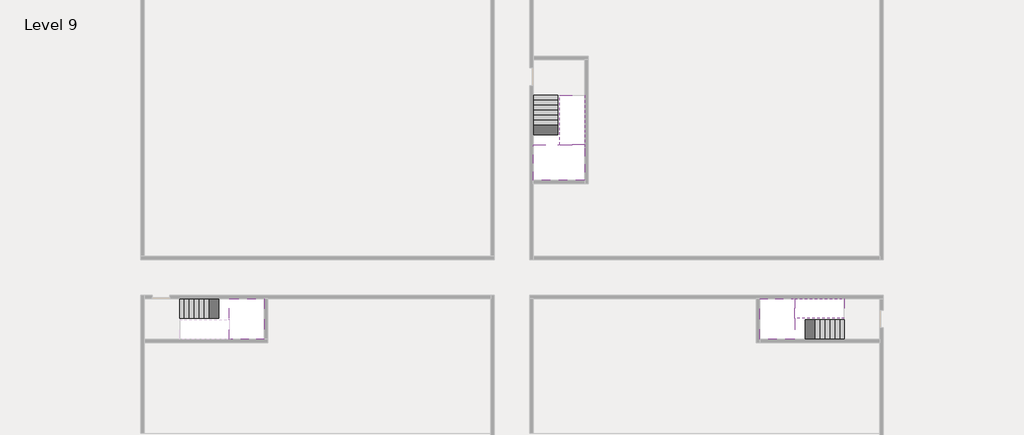
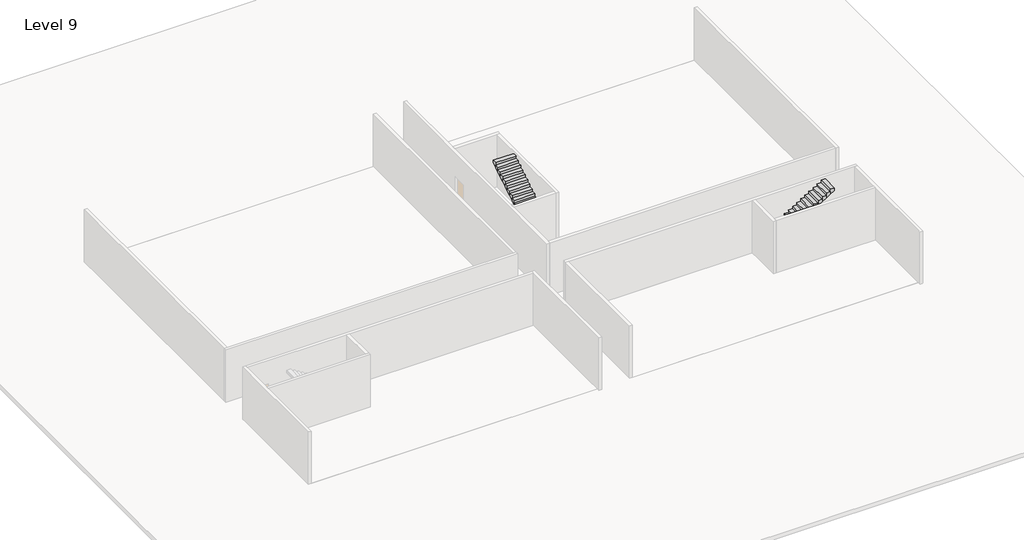
# One storey, part 2 of 2: 5 stair flights, 3 slabs.
"""IFC4 building model written with IfcOpenShell, lengths in millimetres."""

from ifc_helpers import new_model, si_unit, origin, place, context, project, spatial, faceted_brep, element, save

model = new_model("IFC4")

# Units and contexts
model_context = context("Model", 3, world=origin())
ifc_project = project(units=[si_unit("LENGTHUNIT", "METRE", prefix="MILLI")], contexts=[model_context])

# Site, building, storey
site = spatial("IfcSite", under=ifc_project)
building = spatial("IfcBuilding", under=site)
storey = spatial("IfcBuildingStorey", under=building, Name="Level 9", Elevation=30400.0)

# Slabs
placement = place(None, origin())
element("IfcSlab", 1, at=placement, inside=storey, context=model_context, shape_type="Brep", body=[
    faceted_brep([(8190.1058784, -42918.09644, 32300.0), (8190.1058784, -44018.09644, 32300.0), (8190.1058784, -44118.09644, 32300.0), (8190.1058784, -45218.09644, 32300.0), (8390.7194421, -45218.09644, 32300.0), (10190.1058784, -45218.09644, 32300.0), (10190.1058784, -42918.09644, 32300.0), (8269.4923146, -42918.09644, 32300.0), (8190.1058784, -42918.09644, 32127.2727273), (8190.1058784, -42918.09644, 31951.0278478), (8190.1058784, -44018.09644, 31951.0278478), (8190.1058784, -44018.09644, 32000.0), (8190.1058784, -44118.09644, 32000.0), (8190.1058784, -44118.09644, 32123.7551205), (8190.1058784, -45218.09644, 32123.7551205), (8390.7194421, -45218.09644, 32000.0), (10190.1058784, -45218.09644, 32000.0), (10190.1058784, -42918.09644, 32000.0), (8269.4923146, -42918.09644, 32000.0), (8390.7194421, -44118.09644, 32000.0), (8269.4923146, -44018.09644, 32000.0)], [[[0, 1, 2, 3, 4, 5, 6, 7]], [[1, 0, 8, 9, 10, 11]], [[2, 1, 11, 12, 13]], [[3, 2, 13, 14]], [[3, 14, 15, 16, 5, 4]], [[6, 5, 16, 17]], [[9, 8, 0, 7, 6, 17, 18]], [[19, 12, 11, 20, 18, 17, 16, 15]], [[12, 19, 13]], [[18, 20, 10, 9]], [[20, 11, 10]], [[19, 15, 14, 13]]]),
])
element("IfcSlab", 2, at=placement, inside=storey, context=model_context, shape_type="Brep", body=[
    faceted_brep([(40190.1058784, -45218.09644, 32300.0), (40190.1058784, -44118.09644, 32300.0), (40190.1058784, -44018.09644, 32300.0), (40190.1058784, -42918.09644, 32300.0), (39989.4923146, -42918.09644, 32300.0), (38190.1058784, -42918.09644, 32300.0), (38190.1058784, -45218.09644, 32300.0), (40110.7194421, -45218.09644, 32300.0), (40190.1058784, -45218.09644, 32127.2727273), (40190.1058784, -45218.09644, 31951.0278478), (40190.1058784, -44118.09644, 31951.0278478), (40190.1058784, -44118.09644, 32000.0), (40190.1058784, -44018.09644, 32000.0), (40190.1058784, -44018.09644, 32123.7551205), (40190.1058784, -42918.09644, 32123.7551205), (39989.4923146, -42918.09644, 32000.0), (38190.1058784, -42918.09644, 32000.0), (38190.1058784, -45218.09644, 32000.0), (40110.7194421, -45218.09644, 32000.0), (39989.4923146, -44018.09644, 32000.0), (40110.7194421, -44118.09644, 32000.0)], [[[0, 1, 2, 3, 4, 5, 6, 7]], [[1, 0, 8, 9, 10, 11]], [[2, 1, 11, 12, 13]], [[3, 2, 13, 14]], [[3, 14, 15, 16, 5, 4]], [[6, 5, 16, 17]], [[9, 8, 0, 7, 6, 17, 18]], [[19, 12, 11, 20, 18, 17, 16, 15]], [[12, 19, 13]], [[18, 20, 10, 9]], [[20, 11, 10]], [[19, 15, 14, 13]]]),
])
element("IfcSlab", 3, at=placement, inside=storey, context=model_context, shape_type="Brep", body=[
    faceted_brep([(26790.1058784, -34218.09644, 32300.0), (25390.1058784, -34218.09644, 32300.0), (25390.1058784, -34297.4828763, 32300.0), (25390.1058784, -36218.09644, 32300.0), (28290.1058784, -36218.09644, 32300.0), (28290.1058784, -34418.7100038, 32300.0), (28290.1058784, -34218.09644, 32300.0), (26890.1058784, -34218.09644, 32300.0), (26790.1058784, -34218.09644, 32000.0), (26790.1058784, -34218.09644, 31951.0278478), (25390.1058784, -34218.09644, 31951.0278478), (25390.1058784, -34218.09644, 32127.2727273), (25390.1058784, -34297.4828763, 32000.0), (25390.1058784, -36218.09644, 32000.0), (28290.1058784, -36218.09644, 32000.0), (28290.1058784, -34418.7100038, 32000.0), (28290.1058784, -34218.09644, 32123.7551205), (26890.1058784, -34218.09644, 32123.7551205), (26890.1058784, -34218.09644, 32000.0), (26890.1058784, -34418.7100038, 32000.0), (26790.1058784, -34297.4828763, 32000.0)], [[[0, 1, 2, 3, 4, 5, 6, 7]], [[1, 0, 8, 9, 10, 11]], [[1, 11, 10, 12, 13, 3, 2]], [[4, 3, 13, 14]], [[4, 14, 15, 16, 6, 5]], [[7, 6, 16, 17]], [[0, 7, 17, 18, 8]], [[18, 19, 15, 14, 13, 12, 20, 8]], [[19, 18, 17]], [[20, 12, 10, 9]], [[8, 20, 9]], [[15, 19, 17, 16]]]),
])

# Stair flights
element("IfcStairFlight", 4, at=placement, inside=storey, context=model_context, shape_type="Brep", body=[
    faceted_brep([(5670.1058784, -42918.09644, 30572.7272727), (5390.1058784, -42918.09644, 30572.7272727), (5390.1058784, -44018.09644, 30572.7272727), (5670.1058784, -44018.09644, 30572.7272727), (5670.1058784, -42918.09644, 30400.0), (5390.1058784, -42918.09644, 30400.0), (5390.1058784, -44018.09644, 30400.0), (5670.1058784, -44018.09644, 30400.0), (5950.1058784, -42918.09644, 30745.4545455), (5670.1058784, -42918.09644, 30745.4545455), (5670.1058784, -44018.09644, 30745.4545455), (5950.1058784, -44018.09644, 30745.4545455), (5950.1058784, -42918.09644, 30569.209666), (5675.8081041, -42918.09644, 30400.0), (5675.8081041, -44018.09644, 30400.0), (5950.1058784, -44018.09644, 30569.209666), (6230.1058784, -42918.09644, 30918.1818182), (5950.1058784, -42918.09644, 30918.1818182), (5950.1058784, -44018.09644, 30918.1818182), (6230.1058784, -44018.09644, 30918.1818182), (6230.1058784, -42918.09644, 30741.9369387), (6230.1058784, -44018.09644, 30741.9369387), (6510.1058784, -42918.09644, 31090.9090909), (6230.1058784, -42918.09644, 31090.9090909), (6230.1058784, -44018.09644, 31090.9090909), (6510.1058784, -44018.09644, 31090.9090909), (6510.1058784, -42918.09644, 30914.6642114), (6510.1058784, -44018.09644, 30914.6642114), (6790.1058784, -42918.09644, 31263.6363636), (6510.1058784, -42918.09644, 31263.6363636), (6510.1058784, -44018.09644, 31263.6363636), (6790.1058784, -44018.09644, 31263.6363636), (6790.1058784, -42918.09644, 31087.3914841), (6790.1058784, -44018.09644, 31087.3914841), (7070.1058784, -42918.09644, 31436.3636364), (6790.1058784, -42918.09644, 31436.3636364), (6790.1058784, -44018.09644, 31436.3636364), (7070.1058784, -44018.09644, 31436.3636364), (7070.1058784, -42918.09644, 31260.1187569), (7070.1058784, -44018.09644, 31260.1187569), (7350.1058784, -42918.09644, 31609.0909091), (7070.1058784, -42918.09644, 31609.0909091), (7070.1058784, -44018.09644, 31609.0909091), (7350.1058784, -44018.09644, 31609.0909091), (7350.1058784, -42918.09644, 31432.8460296), (7350.1058784, -44018.09644, 31432.8460296), (7630.1058784, -42918.09644, 31781.8181818), (7350.1058784, -42918.09644, 31781.8181818), (7350.1058784, -44018.09644, 31781.8181818), (7630.1058784, -44018.09644, 31781.8181818), (7630.1058784, -42918.09644, 31605.5733023), (7630.1058784, -44018.09644, 31605.5733023), (7910.1058784, -42918.09644, 31954.5454545), (7630.1058784, -42918.09644, 31954.5454545), (7630.1058784, -44018.09644, 31954.5454545), (7910.1058784, -44018.09644, 31954.5454545), (7910.1058784, -42918.09644, 31778.3005751), (7910.1058784, -44018.09644, 31778.3005751), (8190.1058784, -42918.09644, 32127.2727273), (7910.1058784, -42918.09644, 32127.2727273), (7910.1058784, -44018.09644, 32127.2727273), (8190.1058784, -44018.09644, 32127.2727273), (8190.1058784, -42918.09644, 31951.0278478), (8190.1058784, -44018.09644, 31951.0278478), (8190.1058784, -44018.09644, 32000.0)], [[[0, 1, 2, 3]], [[1, 0, 4, 5]], [[2, 1, 5, 6]], [[3, 2, 6, 7]], [[8, 9, 10, 11]], [[4, 0, 9, 8, 12, 13]], [[0, 3, 10, 9]], [[3, 7, 14, 15, 11, 10]], [[16, 17, 18, 19]], [[17, 16, 20, 12, 8]], [[8, 11, 18, 17]], [[19, 18, 11, 15, 21]], [[22, 23, 24, 25]], [[23, 22, 26, 20, 16]], [[16, 19, 24, 23]], [[25, 24, 19, 21, 27]], [[28, 29, 30, 31]], [[29, 28, 32, 26, 22]], [[22, 25, 30, 29]], [[31, 30, 25, 27, 33]], [[34, 35, 36, 37]], [[35, 34, 38, 32, 28]], [[28, 31, 36, 35]], [[37, 36, 31, 33, 39]], [[40, 41, 42, 43]], [[41, 40, 44, 38, 34]], [[34, 37, 42, 41]], [[43, 42, 37, 39, 45]], [[46, 47, 48, 49]], [[47, 46, 50, 44, 40]], [[40, 43, 48, 47]], [[49, 48, 43, 45, 51]], [[52, 53, 54, 55]], [[53, 52, 56, 50, 46]], [[46, 49, 54, 53]], [[55, 54, 49, 51, 57]], [[58, 59, 60, 61]], [[59, 58, 62, 56, 52]], [[52, 55, 60, 59]], [[61, 60, 55, 57, 63, 64]], [[58, 61, 64, 63, 62]], [[5, 4, 13, 14, 7, 6]], [[14, 13, 12, 20, 26, 32, 38, 44, 50, 56, 62, 63, 57, 51, 45, 39, 33, 27, 21, 15]]]),
])
element("IfcStairFlight", 5, at=placement, inside=storey, context=model_context, shape_type="Brep", body=[
    faceted_brep([(42710.1058784, -45218.09644, 30572.7272727), (42990.1058784, -45218.09644, 30572.7272727), (42990.1058784, -44118.09644, 30572.7272727), (42710.1058784, -44118.09644, 30572.7272727), (42710.1058784, -45218.09644, 30400.0), (42990.1058784, -45218.09644, 30400.0), (42990.1058784, -44118.09644, 30400.0), (42710.1058784, -44118.09644, 30400.0), (42430.1058784, -45218.09644, 30745.4545455), (42710.1058784, -45218.09644, 30745.4545455), (42710.1058784, -44118.09644, 30745.4545455), (42430.1058784, -44118.09644, 30745.4545455), (42430.1058784, -45218.09644, 30569.209666), (42704.4036527, -45218.09644, 30400.0), (42704.4036527, -44118.09644, 30400.0), (42430.1058784, -44118.09644, 30569.209666), (42150.1058784, -45218.09644, 30918.1818182), (42430.1058784, -45218.09644, 30918.1818182), (42430.1058784, -44118.09644, 30918.1818182), (42150.1058784, -44118.09644, 30918.1818182), (42150.1058784, -45218.09644, 30741.9369387), (42150.1058784, -44118.09644, 30741.9369387), (41870.1058784, -45218.09644, 31090.9090909), (42150.1058784, -45218.09644, 31090.9090909), (42150.1058784, -44118.09644, 31090.9090909), (41870.1058784, -44118.09644, 31090.9090909), (41870.1058784, -45218.09644, 30914.6642114), (41870.1058784, -44118.09644, 30914.6642114), (41590.1058784, -45218.09644, 31263.6363636), (41870.1058784, -45218.09644, 31263.6363636), (41870.1058784, -44118.09644, 31263.6363636), (41590.1058784, -44118.09644, 31263.6363636), (41590.1058784, -45218.09644, 31087.3914841), (41590.1058784, -44118.09644, 31087.3914841), (41310.1058784, -45218.09644, 31436.3636364), (41590.1058784, -45218.09644, 31436.3636364), (41590.1058784, -44118.09644, 31436.3636364), (41310.1058784, -44118.09644, 31436.3636364), (41310.1058784, -45218.09644, 31260.1187569), (41310.1058784, -44118.09644, 31260.1187569), (41030.1058784, -45218.09644, 31609.0909091), (41310.1058784, -45218.09644, 31609.0909091), (41310.1058784, -44118.09644, 31609.0909091), (41030.1058784, -44118.09644, 31609.0909091), (41030.1058784, -45218.09644, 31432.8460296), (41030.1058784, -44118.09644, 31432.8460296), (40750.1058784, -45218.09644, 31781.8181818), (41030.1058784, -45218.09644, 31781.8181818), (41030.1058784, -44118.09644, 31781.8181818), (40750.1058784, -44118.09644, 31781.8181818), (40750.1058784, -45218.09644, 31605.5733023), (40750.1058784, -44118.09644, 31605.5733023), (40470.1058784, -45218.09644, 31954.5454545), (40750.1058784, -45218.09644, 31954.5454545), (40750.1058784, -44118.09644, 31954.5454545), (40470.1058784, -44118.09644, 31954.5454545), (40470.1058784, -45218.09644, 31778.3005751), (40470.1058784, -44118.09644, 31778.3005751), (40190.1058784, -45218.09644, 32127.2727273), (40470.1058784, -45218.09644, 32127.2727273), (40470.1058784, -44118.09644, 32127.2727273), (40190.1058784, -44118.09644, 32127.2727273), (40190.1058784, -45218.09644, 31951.0278478), (40190.1058784, -44118.09644, 31951.0278478), (40190.1058784, -44118.09644, 32000.0)], [[[0, 1, 2, 3]], [[1, 0, 4, 5]], [[2, 1, 5, 6]], [[3, 2, 6, 7]], [[8, 9, 10, 11]], [[4, 0, 9, 8, 12, 13]], [[0, 3, 10, 9]], [[3, 7, 14, 15, 11, 10]], [[16, 17, 18, 19]], [[17, 16, 20, 12, 8]], [[8, 11, 18, 17]], [[19, 18, 11, 15, 21]], [[22, 23, 24, 25]], [[23, 22, 26, 20, 16]], [[16, 19, 24, 23]], [[25, 24, 19, 21, 27]], [[28, 29, 30, 31]], [[29, 28, 32, 26, 22]], [[22, 25, 30, 29]], [[31, 30, 25, 27, 33]], [[34, 35, 36, 37]], [[35, 34, 38, 32, 28]], [[28, 31, 36, 35]], [[37, 36, 31, 33, 39]], [[40, 41, 42, 43]], [[41, 40, 44, 38, 34]], [[34, 37, 42, 41]], [[43, 42, 37, 39, 45]], [[46, 47, 48, 49]], [[47, 46, 50, 44, 40]], [[40, 43, 48, 47]], [[49, 48, 43, 45, 51]], [[52, 53, 54, 55]], [[53, 52, 56, 50, 46]], [[46, 49, 54, 53]], [[55, 54, 49, 51, 57]], [[58, 59, 60, 61]], [[59, 58, 62, 56, 52]], [[52, 55, 60, 59]], [[61, 60, 55, 57, 63, 64]], [[58, 61, 64, 63, 62]], [[5, 4, 13, 14, 7, 6]], [[14, 13, 12, 20, 26, 32, 38, 44, 50, 56, 62, 63, 57, 51, 45, 39, 33, 27, 21, 15]]]),
])
element("IfcStairFlight", 6, at=placement, inside=storey, context=model_context, shape_type="Brep", body=[
    faceted_brep([(40470.1058784, -42918.09644, 32472.7272727), (40190.1058784, -42918.09644, 32472.7272727), (40190.1058784, -44018.09644, 32472.7272727), (40470.1058784, -44018.09644, 32472.7272727), (40470.1058784, -42918.09644, 32296.4823932), (40190.1058784, -42918.09644, 32123.7551205), (40190.1058784, -42918.09644, 32300.0), (40190.1058784, -44018.09644, 32123.7551205), (40470.1058784, -44018.09644, 32296.4823932), (40750.1058784, -42918.09644, 32645.4545455), (40470.1058784, -42918.09644, 32645.4545455), (40470.1058784, -44018.09644, 32645.4545455), (40750.1058784, -44018.09644, 32645.4545455), (40750.1058784, -42918.09644, 32469.209666), (40750.1058784, -44018.09644, 32469.209666), (41030.1058784, -42918.09644, 32818.1818182), (40750.1058784, -42918.09644, 32818.1818182), (40750.1058784, -44018.09644, 32818.1818182), (41030.1058784, -44018.09644, 32818.1818182), (41030.1058784, -42918.09644, 32641.9369387), (41030.1058784, -44018.09644, 32641.9369387), (41310.1058784, -42918.09644, 32990.9090909), (41030.1058784, -42918.09644, 32990.9090909), (41030.1058784, -44018.09644, 32990.9090909), (41310.1058784, -44018.09644, 32990.9090909), (41310.1058784, -42918.09644, 32814.6642114), (41310.1058784, -44018.09644, 32814.6642114), (41590.1058784, -42918.09644, 33163.6363636), (41310.1058784, -42918.09644, 33163.6363636), (41310.1058784, -44018.09644, 33163.6363636), (41590.1058784, -44018.09644, 33163.6363636), (41590.1058784, -42918.09644, 32987.3914841), (41590.1058784, -44018.09644, 32987.3914841), (41870.1058784, -42918.09644, 33336.3636364), (41590.1058784, -42918.09644, 33336.3636364), (41590.1058784, -44018.09644, 33336.3636364), (41870.1058784, -44018.09644, 33336.3636364), (41870.1058784, -42918.09644, 33160.1187569), (41870.1058784, -44018.09644, 33160.1187569), (42150.1058784, -42918.09644, 33509.0909091), (41870.1058784, -42918.09644, 33509.0909091), (41870.1058784, -44018.09644, 33509.0909091), (42150.1058784, -44018.09644, 33509.0909091), (42150.1058784, -42918.09644, 33332.8460296), (42150.1058784, -44018.09644, 33332.8460296), (42430.1058784, -42918.09644, 33681.8181818), (42150.1058784, -42918.09644, 33681.8181818), (42150.1058784, -44018.09644, 33681.8181818), (42430.1058784, -44018.09644, 33681.8181818), (42430.1058784, -42918.09644, 33505.5733023), (42430.1058784, -44018.09644, 33505.5733023), (42710.1058784, -42918.09644, 33854.5454545), (42430.1058784, -42918.09644, 33854.5454545), (42430.1058784, -44018.09644, 33854.5454545), (42710.1058784, -44018.09644, 33854.5454545), (42710.1058784, -42918.09644, 33678.3005751), (42710.1058784, -44018.09644, 33678.3005751), (42990.1058784, -42918.09644, 34027.2727273), (42710.1058784, -42918.09644, 34027.2727273), (42710.1058784, -44018.09644, 34027.2727273), (42990.1058784, -44018.09644, 34027.2727273), (42990.1058784, -42918.09644, 33851.0278478), (42990.1058784, -44018.09644, 33851.0278478)], [[[0, 1, 2, 3]], [[1, 0, 4, 5, 6]], [[2, 1, 6, 5, 7]], [[3, 2, 7, 8]], [[9, 10, 11, 12]], [[10, 9, 13, 4, 0]], [[11, 10, 0, 3]], [[12, 11, 3, 8, 14]], [[15, 16, 17, 18]], [[16, 15, 19, 13, 9]], [[17, 16, 9, 12]], [[18, 17, 12, 14, 20]], [[21, 22, 23, 24]], [[22, 21, 25, 19, 15]], [[23, 22, 15, 18]], [[24, 23, 18, 20, 26]], [[27, 28, 29, 30]], [[28, 27, 31, 25, 21]], [[29, 28, 21, 24]], [[30, 29, 24, 26, 32]], [[33, 34, 35, 36]], [[34, 33, 37, 31, 27]], [[35, 34, 27, 30]], [[36, 35, 30, 32, 38]], [[39, 40, 41, 42]], [[40, 39, 43, 37, 33]], [[41, 40, 33, 36]], [[42, 41, 36, 38, 44]], [[45, 46, 47, 48]], [[46, 45, 49, 43, 39]], [[47, 46, 39, 42]], [[48, 47, 42, 44, 50]], [[51, 52, 53, 54]], [[52, 51, 55, 49, 45]], [[53, 52, 45, 48]], [[54, 53, 48, 50, 56]], [[57, 58, 59, 60]], [[58, 57, 61, 55, 51]], [[59, 58, 51, 54]], [[60, 59, 54, 56, 62]], [[57, 60, 62, 61]], [[5, 4, 13, 19, 25, 31, 37, 43, 49, 55, 61, 62, 56, 50, 44, 38, 32, 26, 20, 14, 8, 7]]]),
])
element("IfcStairFlight", 7, at=placement, inside=storey, context=model_context, shape_type="Brep", body=[
    faceted_brep([(26790.1058784, -31698.09644, 30572.7272727), (26790.1058784, -31418.09644, 30572.7272727), (25390.1058784, -31418.09644, 30572.7272727), (25390.1058784, -31698.09644, 30572.7272727), (26790.1058784, -31698.09644, 30400.0), (26790.1058784, -31418.09644, 30400.0), (25390.1058784, -31418.09644, 30400.0), (25390.1058784, -31698.09644, 30400.0), (26790.1058784, -31978.09644, 30745.4545455), (26790.1058784, -31698.09644, 30745.4545455), (25390.1058784, -31698.09644, 30745.4545455), (25390.1058784, -31978.09644, 30745.4545455), (26790.1058784, -31978.09644, 30569.209666), (26790.1058784, -31703.7986657, 30400.0), (25390.1058784, -31703.7986657, 30400.0), (25390.1058784, -31978.09644, 30569.209666), (26790.1058784, -32258.09644, 30918.1818182), (26790.1058784, -31978.09644, 30918.1818182), (25390.1058784, -31978.09644, 30918.1818182), (25390.1058784, -32258.09644, 30918.1818182), (26790.1058784, -32258.09644, 30741.9369387), (25390.1058784, -32258.09644, 30741.9369387), (26790.1058784, -32538.09644, 31090.9090909), (26790.1058784, -32258.09644, 31090.9090909), (25390.1058784, -32258.09644, 31090.9090909), (25390.1058784, -32538.09644, 31090.9090909), (26790.1058784, -32538.09644, 30914.6642114), (25390.1058784, -32538.09644, 30914.6642114), (26790.1058784, -32818.09644, 31263.6363636), (26790.1058784, -32538.09644, 31263.6363636), (25390.1058784, -32538.09644, 31263.6363636), (25390.1058784, -32818.09644, 31263.6363636), (26790.1058784, -32818.09644, 31087.3914841), (25390.1058784, -32818.09644, 31087.3914841), (26790.1058784, -33098.09644, 31436.3636364), (26790.1058784, -32818.09644, 31436.3636364), (25390.1058784, -32818.09644, 31436.3636364), (25390.1058784, -33098.09644, 31436.3636364), (26790.1058784, -33098.09644, 31260.1187569), (25390.1058784, -33098.09644, 31260.1187569), (26790.1058784, -33378.09644, 31609.0909091), (26790.1058784, -33098.09644, 31609.0909091), (25390.1058784, -33098.09644, 31609.0909091), (25390.1058784, -33378.09644, 31609.0909091), (26790.1058784, -33378.09644, 31432.8460296), (25390.1058784, -33378.09644, 31432.8460296), (26790.1058784, -33658.09644, 31781.8181818), (26790.1058784, -33378.09644, 31781.8181818), (25390.1058784, -33378.09644, 31781.8181818), (25390.1058784, -33658.09644, 31781.8181818), (26790.1058784, -33658.09644, 31605.5733023), (25390.1058784, -33658.09644, 31605.5733023), (26790.1058784, -33938.09644, 31954.5454545), (26790.1058784, -33658.09644, 31954.5454545), (25390.1058784, -33658.09644, 31954.5454545), (25390.1058784, -33938.09644, 31954.5454545), (26790.1058784, -33938.09644, 31778.3005751), (25390.1058784, -33938.09644, 31778.3005751), (26790.1058784, -34218.09644, 32127.2727273), (26790.1058784, -33938.09644, 32127.2727273), (25390.1058784, -33938.09644, 32127.2727273), (25390.1058784, -34218.09644, 32127.2727273), (26790.1058784, -34218.09644, 32000.0), (26790.1058784, -34218.09644, 31951.0278478), (25390.1058784, -34218.09644, 31951.0278478)], [[[0, 1, 2, 3]], [[1, 0, 4, 5]], [[2, 1, 5, 6]], [[3, 2, 6, 7]], [[8, 9, 10, 11]], [[4, 0, 9, 8, 12, 13]], [[0, 3, 10, 9]], [[3, 7, 14, 15, 11, 10]], [[16, 17, 18, 19]], [[17, 16, 20, 12, 8]], [[8, 11, 18, 17]], [[19, 18, 11, 15, 21]], [[22, 23, 24, 25]], [[23, 22, 26, 20, 16]], [[16, 19, 24, 23]], [[25, 24, 19, 21, 27]], [[28, 29, 30, 31]], [[29, 28, 32, 26, 22]], [[22, 25, 30, 29]], [[31, 30, 25, 27, 33]], [[34, 35, 36, 37]], [[35, 34, 38, 32, 28]], [[28, 31, 36, 35]], [[37, 36, 31, 33, 39]], [[40, 41, 42, 43]], [[41, 40, 44, 38, 34]], [[34, 37, 42, 41]], [[43, 42, 37, 39, 45]], [[46, 47, 48, 49]], [[47, 46, 50, 44, 40]], [[40, 43, 48, 47]], [[49, 48, 43, 45, 51]], [[52, 53, 54, 55]], [[53, 52, 56, 50, 46]], [[46, 49, 54, 53]], [[55, 54, 49, 51, 57]], [[58, 59, 60, 61]], [[59, 58, 62, 63, 56, 52]], [[52, 55, 60, 59]], [[61, 60, 55, 57, 64]], [[58, 61, 64, 63, 62]], [[5, 4, 13, 14, 7, 6]], [[14, 13, 12, 20, 26, 32, 38, 44, 50, 56, 63, 64, 57, 51, 45, 39, 33, 27, 21, 15]]]),
])
element("IfcStairFlight", 8, at=placement, inside=storey, context=model_context, shape_type="Brep", body=[
    faceted_brep([(26890.1058784, -33938.09644, 32472.7272727), (26890.1058784, -34218.09644, 32472.7272727), (28290.1058784, -34218.09644, 32472.7272727), (28290.1058784, -33938.09644, 32472.7272727), (26890.1058784, -33938.09644, 32296.4823932), (26890.1058784, -34218.09644, 32123.7551205), (28290.1058784, -34218.09644, 32123.7551205), (28290.1058784, -34218.09644, 32300.0), (28290.1058784, -33938.09644, 32296.4823932), (26890.1058784, -33658.09644, 32645.4545455), (26890.1058784, -33938.09644, 32645.4545455), (28290.1058784, -33938.09644, 32645.4545455), (28290.1058784, -33658.09644, 32645.4545455), (26890.1058784, -33658.09644, 32469.209666), (28290.1058784, -33658.09644, 32469.209666), (26890.1058784, -33378.09644, 32818.1818182), (26890.1058784, -33658.09644, 32818.1818182), (28290.1058784, -33658.09644, 32818.1818182), (28290.1058784, -33378.09644, 32818.1818182), (26890.1058784, -33378.09644, 32641.9369387), (28290.1058784, -33378.09644, 32641.9369387), (26890.1058784, -33098.09644, 32990.9090909), (26890.1058784, -33378.09644, 32990.9090909), (28290.1058784, -33378.09644, 32990.9090909), (28290.1058784, -33098.09644, 32990.9090909), (26890.1058784, -33098.09644, 32814.6642114), (28290.1058784, -33098.09644, 32814.6642114), (26890.1058784, -32818.09644, 33163.6363636), (26890.1058784, -33098.09644, 33163.6363636), (28290.1058784, -33098.09644, 33163.6363636), (28290.1058784, -32818.09644, 33163.6363636), (26890.1058784, -32818.09644, 32987.3914841), (28290.1058784, -32818.09644, 32987.3914841), (26890.1058784, -32538.09644, 33336.3636364), (26890.1058784, -32818.09644, 33336.3636364), (28290.1058784, -32818.09644, 33336.3636364), (28290.1058784, -32538.09644, 33336.3636364), (26890.1058784, -32538.09644, 33160.1187569), (28290.1058784, -32538.09644, 33160.1187569), (26890.1058784, -32258.09644, 33509.0909091), (26890.1058784, -32538.09644, 33509.0909091), (28290.1058784, -32538.09644, 33509.0909091), (28290.1058784, -32258.09644, 33509.0909091), (26890.1058784, -32258.09644, 33332.8460296), (28290.1058784, -32258.09644, 33332.8460296), (26890.1058784, -31978.09644, 33681.8181818), (26890.1058784, -32258.09644, 33681.8181818), (28290.1058784, -32258.09644, 33681.8181818), (28290.1058784, -31978.09644, 33681.8181818), (26890.1058784, -31978.09644, 33505.5733023), (28290.1058784, -31978.09644, 33505.5733023), (26890.1058784, -31698.09644, 33854.5454545), (26890.1058784, -31978.09644, 33854.5454545), (28290.1058784, -31978.09644, 33854.5454545), (28290.1058784, -31698.09644, 33854.5454545), (26890.1058784, -31698.09644, 33678.3005751), (28290.1058784, -31698.09644, 33678.3005751), (26890.1058784, -31418.09644, 34027.2727273), (26890.1058784, -31698.09644, 34027.2727273), (28290.1058784, -31698.09644, 34027.2727273), (28290.1058784, -31418.09644, 34027.2727273), (26890.1058784, -31418.09644, 33851.0278478), (28290.1058784, -31418.09644, 33851.0278478)], [[[0, 1, 2, 3]], [[1, 0, 4, 5]], [[2, 1, 5, 6, 7]], [[3, 2, 7, 6, 8]], [[9, 10, 11, 12]], [[10, 9, 13, 4, 0]], [[11, 10, 0, 3]], [[12, 11, 3, 8, 14]], [[15, 16, 17, 18]], [[16, 15, 19, 13, 9]], [[17, 16, 9, 12]], [[18, 17, 12, 14, 20]], [[21, 22, 23, 24]], [[22, 21, 25, 19, 15]], [[23, 22, 15, 18]], [[24, 23, 18, 20, 26]], [[27, 28, 29, 30]], [[28, 27, 31, 25, 21]], [[29, 28, 21, 24]], [[30, 29, 24, 26, 32]], [[33, 34, 35, 36]], [[34, 33, 37, 31, 27]], [[35, 34, 27, 30]], [[36, 35, 30, 32, 38]], [[39, 40, 41, 42]], [[40, 39, 43, 37, 33]], [[41, 40, 33, 36]], [[42, 41, 36, 38, 44]], [[45, 46, 47, 48]], [[46, 45, 49, 43, 39]], [[47, 46, 39, 42]], [[48, 47, 42, 44, 50]], [[51, 52, 53, 54]], [[52, 51, 55, 49, 45]], [[53, 52, 45, 48]], [[54, 53, 48, 50, 56]], [[57, 58, 59, 60]], [[58, 57, 61, 55, 51]], [[59, 58, 51, 54]], [[60, 59, 54, 56, 62]], [[57, 60, 62, 61]], [[5, 4, 13, 19, 25, 31, 37, 43, 49, 55, 61, 62, 56, 50, 44, 38, 32, 26, 20, 14, 8, 6]]]),
])

save(model, "model.ifc")
